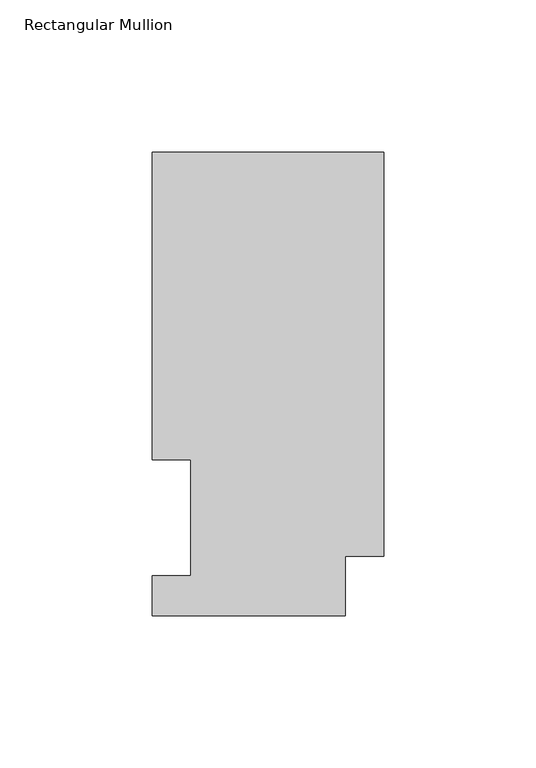
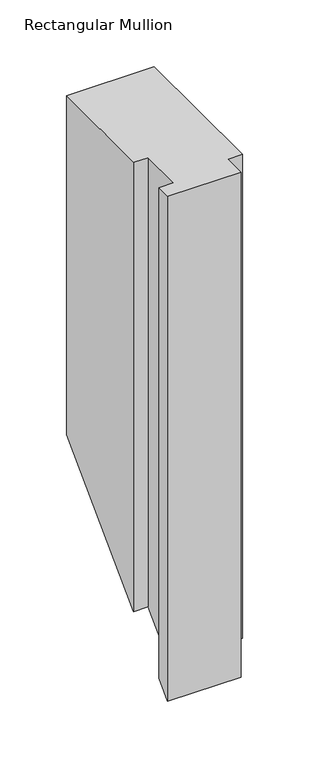
"""IFC4 building model written with IfcOpenShell, lengths in millimetres: member geometry, Rectangular Mullion."""

from ifc_helpers import new_model, si_unit, origin, place, context, project, spatial, faceted_brep, source, transform, mapped, element, save


def rectangular_mullion_27a6ff7e(model_context):
    return source(origin(), model_context, "Body", "Brep", [
        faceted_brep([(-76.2, 13.1960938, 0.0), (-76.2, 0.0134938, 0.0), (-12.7, 0.0134938, 0.0), (-12.7, 19.5460937, 0.0), (0.0, 19.5460937, 0.0), (0.0, 152.4896938, 0.0), (-76.2, 152.4896938, 0.0), (-76.2, 51.2960938, 0.0), (-63.5127, 51.2960938, 0.0), (-63.5127, 13.1960938, 0.0), (-76.2, 13.1960938, -450.3539062), (-76.2, 0.0134938, -463.5365062), (-12.7, 0.0134938, -463.5365062), (-12.7, 19.5460937, -444.0039062), (0.0, 19.5460937, -444.0039062), (0.0, 152.4896938, -311.0603062), (-76.2, 152.4896938, -311.0603062), (-76.2, 51.2960938, -412.2539062), (-63.5127, 51.2960938, -412.2539062), (-63.5127, 13.1960938, -450.3539062)], [[[0, 1, 2, 3, 4, 5, 6, 7, 8, 9]], [[1, 0, 10, 11]], [[2, 1, 11, 12]], [[3, 2, 12, 13]], [[4, 3, 13, 14]], [[5, 4, 14, 15]], [[6, 5, 15, 16]], [[7, 6, 16, 17]], [[8, 7, 17, 18]], [[9, 8, 18, 19]], [[0, 9, 19, 10]], [[10, 19, 18, 17, 16, 15, 14, 13, 12, 11]]]),
    ])


if __name__ == "__main__":
    model = new_model("IFC4")
    model_context = context("Model", 3, world=origin())
    ifc_project = project(units=[si_unit("LENGTHUNIT", "METRE", prefix="MILLI")], contexts=[model_context])
    site = spatial("IfcSite", under=ifc_project)
    building = spatial("IfcBuilding", under=site)
    placement = place(None, origin())
    rectangular_mullion_shape = rectangular_mullion_27a6ff7e(model_context)
    element("IfcMember", 1, ObjectType="Rectangular Mullion", at=placement, inside=building, context=model_context, shape_type="MappedRepresentation", body=[
        mapped(rectangular_mullion_shape, transform((0.0, 0.0, 0.0), x_axis=(1.0, 0.0, 0.0), y_axis=(0.0, 1.0, 0.0), z_axis=(0.0, 0.0, 1.0))),
    ])
    save(model, "model.ifc")
